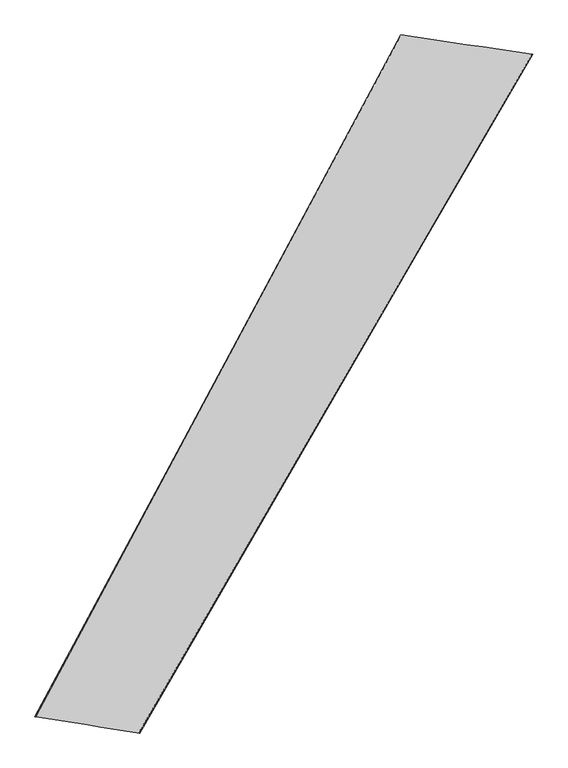
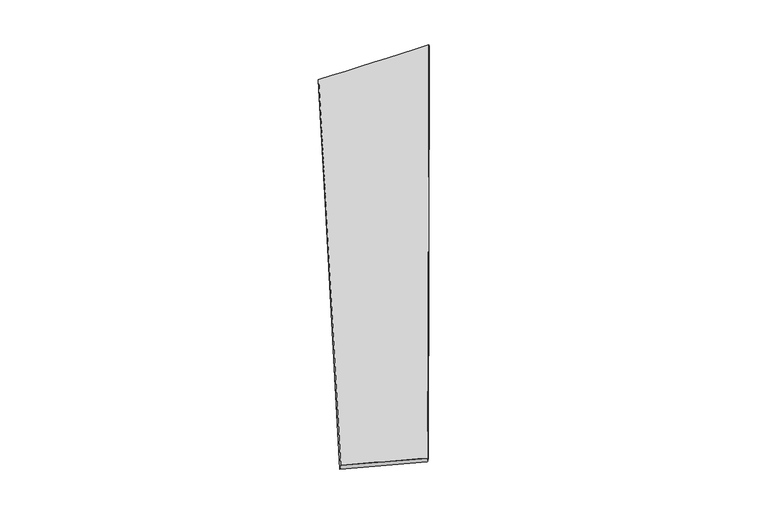
"""IFC4 building model written with IfcOpenShell, lengths in millimetres: proxy geometry."""

from ifc_helpers import new_model, si_unit, origin, place, context, project, spatial, source, transform, mapped, element, save
from ifc_brep_helpers import spline_surface, advanced_brep


def generic_models_5c6cd88c(model_context):
    return source(origin(), model_context, "Body", "AdvancedBrep", [
        advanced_brep(
        [(-679.5638782, -1721.5618248, -46.2078923), (-684.1756734, -1718.239254, -75.6645022), (1478.1220641, 2003.0470568, 6.8497993), (1475.1482092, 2004.1032067, 36.6833498), (-1253.6612129, -1631.2267344, 16.5796369), (756.6072831, 2108.1524956, -66.557376), (-1249.5984378, -1632.7432525, 46.2645495), (754.0141068, 2110.2018706, -36.740007)],
        [
            (0, 1),
            (1, 2),
            (2, 3),
            (3, 0),
            (1, 4),
            (4, 5),
            (5, 2),
            (4, 6),
            (6, 7),
            (7, 5),
            (6, 0),
            (3, 7),
        ],
        [
            spline_surface(1, 1, [[(-679.5638782, -1721.5618248, -46.2078923), (1475.1482092, 2004.1032067, 36.6833498)], [(-684.1756734, -1718.239254, -75.6645022), (1478.1220641, 2003.0470568, 6.8497993)]], [2, 2], [2, 2], [0.0, 1.0], [0.0, 1.0]),
            spline_surface(1, 1, [[(-684.1756734, -1718.239254, -75.6645022), (1478.1220641, 2003.0470568, 6.8497993)], [(-1253.6612129, -1631.2267344, 16.5796369), (756.6072831, 2108.1524956, -66.557376)]], [2, 2], [2, 2], [0.0, 1.0], [0.0, 1.0]),
            spline_surface(1, 1, [[(-1253.6612129, -1631.2267344, 16.5796369), (756.6072831, 2108.1524956, -66.557376)], [(-1249.5984378, -1632.7432525, 46.2645495), (754.0141068, 2110.2018706, -36.740007)]], [2, 2], [2, 2], [0.0, 1.0], [0.0, 1.0]),
            spline_surface(1, 1, [[(-1249.5984378, -1632.7432525, 46.2645495), (754.0141068, 2110.2018706, -36.740007)], [(-679.5638782, -1721.5618248, -46.2078923), (1475.1482092, 2004.1032067, 36.6833498)]], [2, 2], [2, 2], [0.0, 1.0], [0.0, 1.0]),
            spline_surface(1, 1, [[(1478.1220641, 2003.0470568, 6.8497993), (1475.1482092, 2004.1032067, 36.6833498)], [(756.6072831, 2108.1524956, -66.557376), (754.0141068, 2110.2018706, -36.740007)]], [2, 2], [2, 2], [0.0, 1.0], [0.0, 1.0]),
            spline_surface(1, 1, [[(-1249.5984378, -1632.7432525, 46.2645495), (-679.5638782, -1721.5618248, -46.2078923)], [(-1253.6612129, -1631.2267344, 16.5796369), (-684.1756734, -1718.239254, -75.6645022)]], [2, 2], [2, 2], [0.0, 1.0], [0.0, 1.0]),
        ],
        [
            (0, [[1, 2, 3, 4]]),
            (1, [[5, 6, 7, -2]]),
            (2, [[8, 9, 10, -6]]),
            (3, [[11, -4, 12, -9]]),
            (4, [[-3, -7, -10, -12]]),
            (5, [[-11, -8, -5, -1]]),
        ],
    ),
    ])


if __name__ == "__main__":
    model = new_model("IFC4")
    model_context = context("Model", 3, world=origin())
    ifc_project = project(units=[si_unit("LENGTHUNIT", "METRE", prefix="MILLI")], contexts=[model_context])
    site = spatial("IfcSite", under=ifc_project)
    building = spatial("IfcBuilding", under=site)
    placement = place(None, origin())
    generic_models_shape = generic_models_5c6cd88c(model_context)
    element("IfcBuildingElementProxy", 1, Name="Generic Models", at=placement, inside=building, context=model_context, shape_type="MappedRepresentation", body=[
        mapped(generic_models_shape, transform((0.0, 0.0, 0.0), x_axis=(1.0, 0.0, 0.0), y_axis=(0.0, 1.0, 0.0), z_axis=(0.0, 0.0, 1.0))),
    ])
    save(model, "model.ifc")
